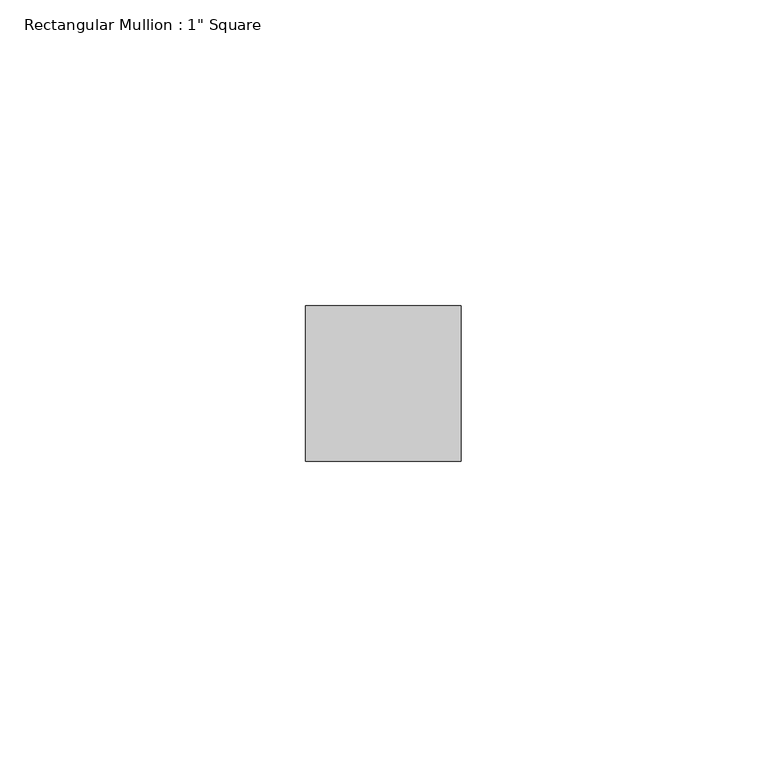
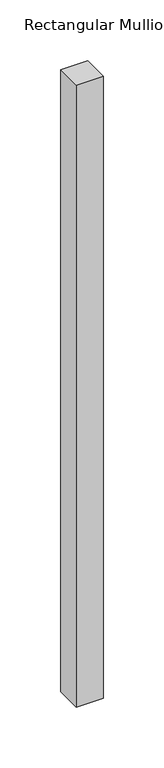
"""IFC4 building model written with IfcOpenShell, lengths in millimetres: member geometry."""

import ifcopenshell
import ifcopenshell.guid

model = None  # the IFC model being written
_history = None  # IfcOwnerHistory: only IFC2X3 demands one
_inside = {}  # id of a spatial element -> (the spatial element, [elements in it])
_under = {}  # id of a project, library or spatial element -> (it, [spatial elements below it])
_declared = {}  # id of a project -> (the project, [libraries it declares])
_typed = {}  # id of a type object -> (the type object, [elements of that type])
_made_of = {}  # id of a material, layer set ... -> (it, [elements and type objects made of it])


def new_model(schema):
    """Start an empty IFC model of exactly this schema.

    Asked for "IFC4X3", IfcOpenShell would pick the latest addendum, in which some entities
    have other attributes; the version numbers below select the first issue.
    IFC2X3 requires an IfcOwnerHistory on every rooted entity: one is made here for all.
    """
    global model, _history
    if schema == "IFC4X3":
        model = ifcopenshell.file(schema_version=(4, 3, 0, 0))
    else:
        model = ifcopenshell.file(schema=schema)
    _inside.clear()
    _under.clear()
    _declared.clear()
    _typed.clear()
    _made_of.clear()
    _history = None
    if model.schema == "IFC2X3":
        org = make("IfcOrganization", Name="unknown")
        user = make(
            "IfcPersonAndOrganization",
            ThePerson=make("IfcPerson", FamilyName="unknown"),
            TheOrganization=org,
        )
        app = make(
            "IfcApplication",
            ApplicationDeveloper=org,
            Version="unknown",
            ApplicationFullName="unknown",
            ApplicationIdentifier="unknown",
        )
        _history = make(
            "IfcOwnerHistory",
            OwningUser=user,
            OwningApplication=app,
            ChangeAction="ADDED",
            CreationDate=0,
        )
    return model


def make(cls, **values):
    """One entity of the class cls with the attributes given. An attribute that is None is left unset."""
    return model.create_entity(
        cls, **{name: value for name, value in values.items() if value is not None}
    )


def rooted(cls, **values):
    """An entity with a GlobalId (a new one), such as an element, a storey or a relation."""
    return make(cls, GlobalId=ifcopenshell.guid.new(), OwnerHistory=_history, **values)


def si_unit(unit_type, name, prefix=None):
    """IfcSIUnit, for example si_unit("LENGTHUNIT", "METRE", prefix="MILLI")."""
    return make("IfcSIUnit", UnitType=unit_type, Prefix=prefix, Name=name)


def assignment(units):
    """IfcUnitAssignment: the units of a project."""
    return None if units is None else make("IfcUnitAssignment", Units=units)


def point(xyz):
    """IfcCartesianPoint."""
    return None if xyz is None else make("IfcCartesianPoint", Coordinates=xyz)


def direction(xyz):
    """IfcDirection."""
    return None if xyz is None else make("IfcDirection", DirectionRatios=xyz)


def frame(location, z_axis=None, x_axis=None):
    """IfcAxis2Placement3D, a coordinate frame: its origin and axes. An axis left out is left unset."""
    return make(
        "IfcAxis2Placement3D",
        Location=point(location),
        Axis=direction(z_axis),
        RefDirection=direction(x_axis),
    )


def origin():
    """The frame at (0, 0, 0) with its axes left unset."""
    return frame((0.0, 0.0, 0.0))


def place(relative_to, where):
    """IfcLocalPlacement: puts the frame where relative to a parent placement (None: the world)."""
    return make(
        "IfcLocalPlacement", PlacementRelTo=relative_to, RelativePlacement=where
    )


def context(
    kind, dimensions, precision=None, world=None, true_north=None, identifier=None
):
    """IfcGeometricRepresentationContext, for example the 3D "Model" context."""
    return make(
        "IfcGeometricRepresentationContext",
        ContextIdentifier=identifier,
        ContextType=kind,
        CoordinateSpaceDimension=dimensions,
        Precision=precision,
        WorldCoordinateSystem=world,
        TrueNorth=true_north,
    )


def project(units=None, contexts=None):
    """IfcProject with its units and contexts."""
    return rooted(
        "IfcProject",
        Name="project",
        RepresentationContexts=contexts,
        UnitsInContext=assignment(units),
    )


def spatial(cls, under=None, at=None, **own):
    """A site, building, storey or space (cls), placed at a placement, below another one or the project."""
    s = rooted(cls, ObjectPlacement=at, **own)
    if under is not None:
        _under.setdefault(under.id(), (under, []))[1].append(s)
    return s


def polyline(points):
    """IfcPolyline through the points."""
    return make("IfcPolyline", Points=[point(p) for p in points])


def outline(outer, holes=None, kind="AREA"):
    """IfcArbitraryClosedProfileDef: a profile drawn as a closed curve; with holes, ...WithVoids."""
    if holes is None:
        return make("IfcArbitraryClosedProfileDef", ProfileType=kind, OuterCurve=outer)
    return make(
        "IfcArbitraryProfileDefWithVoids",
        ProfileType=kind,
        OuterCurve=outer,
        InnerCurves=holes,
    )


def extrude(swept, where, along, depth):
    """IfcExtrudedAreaSolid: the profile swept, set in the frame where, extruded along a direction by depth."""
    return make(
        "IfcExtrudedAreaSolid",
        SweptArea=swept,
        Position=where,
        ExtrudedDirection=direction(along),
        Depth=depth,
    )


def shape(context_of_items, identifier, shape_type, items):
    """IfcShapeRepresentation: the items that make up one representation, for example the "Body"."""
    return make(
        "IfcShapeRepresentation",
        ContextOfItems=context_of_items,
        RepresentationIdentifier=identifier,
        RepresentationType=shape_type,
        Items=items,
    )


def source(mapping_origin, context_of_items, identifier, shape_type, items):
    """IfcRepresentationMap: a shape defined once, which mapped items show again and again."""
    return make(
        "IfcRepresentationMap",
        MappingOrigin=mapping_origin,
        MappedRepresentation=shape(context_of_items, identifier, shape_type, items),
    )


def transform(
    local_origin,
    x_axis=None,
    y_axis=None,
    z_axis=None,
    scale=None,
    scale2=None,
    scale3=None,
    uniform=True,
):
    """IfcCartesianTransformationOperator3D, or its non-uniform kind. x_axis, y_axis, z_axis: its Axis1, 2, 3."""
    if uniform:
        return make(
            "IfcCartesianTransformationOperator3D",
            Axis1=direction(x_axis),
            Axis2=direction(y_axis),
            LocalOrigin=point(local_origin),
            Scale=scale,
            Axis3=direction(z_axis),
        )
    return make(
        "IfcCartesianTransformationOperator3DnonUniform",
        Axis1=direction(x_axis),
        Axis2=direction(y_axis),
        LocalOrigin=point(local_origin),
        Scale=scale,
        Axis3=direction(z_axis),
        Scale2=scale2,
        Scale3=scale3,
    )


def mapped(mapping_source, mapping_target):
    """IfcMappedItem: shows the shape of a source again, moved by a transform."""
    return make(
        "IfcMappedItem", MappingSource=mapping_source, MappingTarget=mapping_target
    )


def made_of(thing, what):
    """Note that an element or type object is made of a material, layer set ...; save() writes the relation."""
    if what is not None:
        _made_of.setdefault(what.id(), (what, []))[1].append(thing)
    return thing


def element(
    cls,
    number,
    at=None,
    inside=None,
    cuts=None,
    type_object=None,
    material=None,
    context=None,
    identifier="Body",
    shape_type=None,
    held_by="IfcProductDefinitionShape",
    body=None,
    shapes=None,
    **own,
):
    """One element of the class cls, such as IfcWall. Its Tag is "e" and its number.

    at: its placement. inside: the storey or other place that contains it. cuts: it is an
    opening in that element (IfcRelVoidsElement). A single representation is given by context,
    identifier, shape_type and body (its items); several are given by shapes. held_by: the class
    of the entity that holds the representations. save() writes the other relations.
    """
    e = rooted(cls, Tag="e%d" % number, ObjectPlacement=at, **own)
    if body is not None:
        shapes = [shape(context, identifier, shape_type, body)]
    if shapes is not None:
        e.Representation = make(held_by, Representations=shapes)
    if inside is not None:
        _inside.setdefault(inside.id(), (inside, []))[1].append(e)
    if cuts is not None:
        rooted(
            "IfcRelVoidsElement", RelatingBuildingElement=cuts, RelatedOpeningElement=e
        )
    if type_object is not None:
        _typed.setdefault(type_object.id(), (type_object, []))[1].append(e)
    return made_of(e, material)


def aggregate(whole, parts):
    """IfcRelAggregates: a whole, such as a stair, and the parts it consists of."""
    return rooted("IfcRelAggregates", RelatingObject=whole, RelatedObjects=parts)


def save(model, path):
    """Write the relations noted so far, then the file.

    IfcRelAggregates (storeys below a building ...), IfcRelContainedInSpatialStructure (elements
    in a storey), IfcRelDefinesByType, IfcRelAssociatesMaterial and IfcRelDeclares: one each for
    every whole, place, type object, material and project.
    """
    for whole, parts in _under.values():
        aggregate(whole, parts)
    for where, things in _inside.values():
        rooted(
            "IfcRelContainedInSpatialStructure",
            RelatedElements=things,
            RelatingStructure=where,
        )
    for kind, things in _typed.values():
        rooted("IfcRelDefinesByType", RelatedObjects=things, RelatingType=kind)
    for what, things in _made_of.values():
        rooted("IfcRelAssociatesMaterial", RelatedObjects=things, RelatingMaterial=what)
    for by, libraries in _declared.values():
        rooted("IfcRelDeclares", RelatingContext=by, RelatedDefinitions=libraries)
    model.write(path)


def member_da69684a(model_context):
    return source(origin(), model_context, "Body", "SweptSolid", [
        extrude(outline(polyline([(12.7, 12.7), (12.7, -12.7), (-12.7, -12.7), (-12.7, 12.7), (12.7, 12.7)])), frame((0.0, 0.0, -624.164422), z_axis=(0.0, 0.0, 1.0), x_axis=(1.0, 0.0, 0.0)), (0.0, 0.0, 1.0), 624.164422),
    ])


if __name__ == "__main__":
    model = new_model("IFC4")
    model_context = context("Model", 3, world=origin())
    ifc_project = project(units=[si_unit("LENGTHUNIT", "METRE", prefix="MILLI")], contexts=[model_context])
    site = spatial("IfcSite", under=ifc_project)
    building = spatial("IfcBuilding", under=site)
    placement = place(None, origin())
    member_shape = member_da69684a(model_context)
    element("IfcMember", 1, ObjectType="Rectangular Mullion : 1\" Square", at=placement, inside=building, context=model_context, shape_type="MappedRepresentation", body=[
        mapped(member_shape, transform((0.0, 0.0, 0.0), x_axis=(1.0, 0.0, 0.0), y_axis=(0.0, 1.0, 0.0), z_axis=(0.0, 0.0, 1.0))),
    ])
    save(model, "model.ifc")
